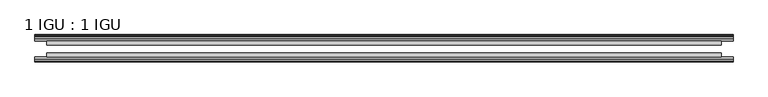
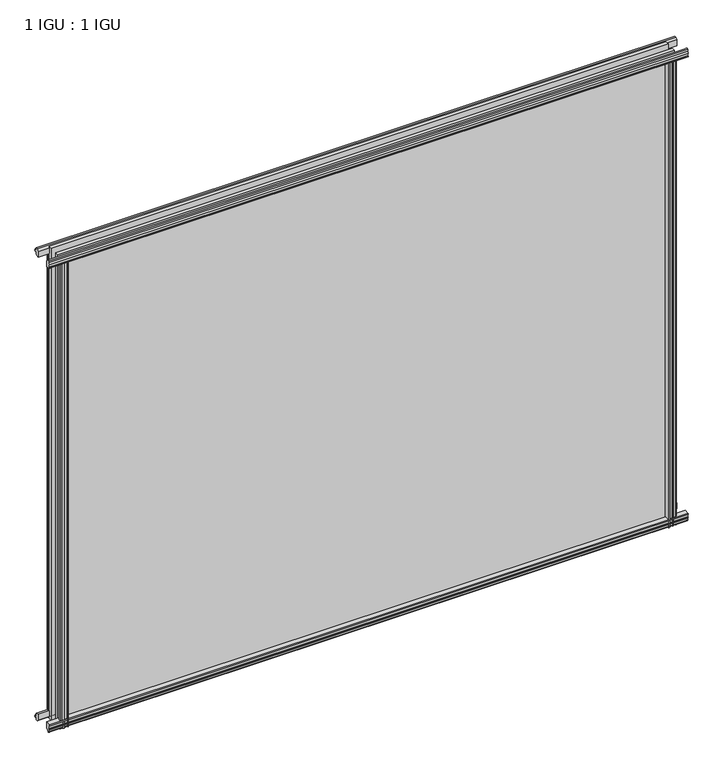
"""IFC4 building model written with IfcOpenShell, lengths in millimetres: plate geometry, 1 IGU : 1 IGU."""

from ifc_helpers import new_model, si_unit, point, frame, frame_2d, origin, place, context, project, spatial, polyline, circle_curve, trimmed, segment, composite_curve, outline, extrude, source, transform, mapped, element, save


def plate_1_igu_1_igu_9c6f4d6b(model_context):
    return source(origin(), model_context, "Body", "SweptSolid", [
        extrude(outline(composite_curve([segment(polyline([(-46.2359545, 846.392137), (-46.2359545, 835.3699197), (-53.3197108, 836.7372291)]), True, "CONTINUOUS"), segment(trimmed(circle_curve(frame_2d((-53.1447545, 837.7380519)), 1.016), [point((-53.3197108, 836.7372291))], [point((-53.8888005, 838.4298983))], False, "CARTESIAN"), True, "CONTINUOUS"), segment(polyline([(-53.8888005, 838.4298983), (-52.5859205, 838.2460519), (-52.5859205, 843.6562519), (-54.0652165, 843.9170917), (-52.5859205, 846.5010519), (-52.5859205, 849.6760519)]), True, "CONTINUOUS"), segment(trimmed(circle_curve(frame_2d((-51.3159205, 849.6760519)), 1.27), [point((-52.5859205, 849.6760519))], [point((-50.4178949, 850.5740775))], False, "CARTESIAN"), True, "CONTINUOUS"), segment(polyline([(-50.4178949, 850.5740775), (-46.2359545, 846.392137)]), True, "CONTINUOUS")], self_intersect=False)), frame((-552.9895183, 0.0, 0.0), z_axis=(1.0, 0.0, 0.0), x_axis=(0.0, 1.0, 0.0)), (0.0, 0.0, 1.0), 1105.9790366),
        extrude(outline(polyline([(-17.4323375, 850.8285625), (-14.4859375, 850.8285625), (-14.4859375, 846.3835625), (-12.1057405, 846.0025625), (-12.5656738, 847.4180916), (-11.7644596, 847.4180916), (-11.0569375, 845.2405625), (-11.7644596, 843.0630334), (-12.5656738, 843.0630334), (-12.1057405, 844.4785625), (-14.4859375, 844.0975625), (-14.4859375, 838.8905625), (-20.8359545, 837.1728398), (-20.8359545, 847.9942062), (-17.4323375, 850.8285625)])), frame((-552.9895183, 0.0, 0.0), z_axis=(1.0, 0.0, 0.0), x_axis=(0.0, 1.0, 0.0)), (0.0, 0.0, 1.0), 1105.9790366),
        extrude(outline(polyline([(-20.8359545, 1.2049602), (-14.4859375, -0.5127625), (-14.4859375, -5.7197625), (-12.1057405, -6.1007625), (-12.5656738, -4.6852334), (-11.7644596, -4.6852334), (-11.0569375, -6.8627625), (-11.7644596, -9.0402916), (-12.5656738, -9.0402916), (-12.1057405, -7.6247625), (-14.4859375, -8.0057625), (-14.4859375, -12.4507625), (-17.4323375, -12.4507625), (-20.8359545, -9.6164062), (-20.8359545, 1.2049602)])), frame((-552.9895183, 0.0, 0.0), z_axis=(1.0, 0.0, 0.0), x_axis=(0.0, 1.0, 0.0)), (0.0, 0.0, 1.0), 1105.9790366),
        extrude(outline(composite_curve([segment(polyline([(-53.3197108, 1.6405709), (-46.2359545, 3.0078803), (-46.2359545, -8.014337), (-50.4178949, -12.1962775)]), True, "CONTINUOUS"), segment(trimmed(circle_curve(frame_2d((-51.3159205, -11.2982519)), 1.27), [point((-50.4178949, -12.1962775))], [point((-52.5859205, -11.2982519))], False, "CARTESIAN"), True, "CONTINUOUS"), segment(polyline([(-52.5859205, -11.2982519), (-52.5859205, -8.1232519), (-54.0652165, -5.5392917), (-52.5859205, -5.2784519), (-52.5859205, 0.1317481), (-53.8888005, -0.0520983)]), True, "CONTINUOUS"), segment(trimmed(circle_curve(frame_2d((-53.1447545, 0.6397481)), 1.016), [point((-53.8888005, -0.0520983))], [point((-53.3197108, 1.6405709))], False, "CARTESIAN"), True, "CONTINUOUS")], self_intersect=False)), frame((-552.9895183, 0.0, 0.0), z_axis=(1.0, 0.0, 0.0), x_axis=(0.0, 1.0, 0.0)), (0.0, 0.0, 1.0), 1105.9790366),
        extrude(outline(polyline([(-528.8889986, -12.1057405), (-530.3045276, -12.5656738), (-530.3045276, -11.7644596), (-528.1269986, -11.0569375), (-525.9494695, -11.7644596), (-525.9494695, -12.5656738), (-527.3649986, -12.1057405), (-526.9839986, -14.4859375), (-521.7769986, -14.4859375), (-520.0592805, -20.8359375), (-530.8806564, -20.8359375), (-533.7149986, -17.4323375), (-533.7149986, -14.4859375), (-529.2699986, -14.4859375), (-528.8889986, -12.1057405)])), frame((0.0, 0.0, -12.6752823), z_axis=(0.0, 0.0, 1.0), x_axis=(1.0, 0.0, 0.0)), (0.0, 0.0, 1.0), 851.0530823),
        extrude(outline(composite_curve([segment(polyline([(-529.2785561, -46.2359375), (-518.2563525, -46.2359375), (-519.6236652, -53.3197108)]), True, "CONTINUOUS"), segment(trimmed(circle_curve(frame_2d((-520.624488, -53.1447545)), 1.016), [point((-519.6236652, -53.3197108))], [point((-521.3163344, -53.8888005))], False, "CARTESIAN"), True, "CONTINUOUS"), segment(polyline([(-521.3163344, -53.8888005), (-521.132488, -52.5859205), (-526.542688, -52.5859205), (-526.8035277, -54.0652165), (-529.387488, -52.5859205), (-532.562488, -52.5859205)]), True, "CONTINUOUS"), segment(trimmed(circle_curve(frame_2d((-532.562488, -51.3159205)), 1.27), [point((-532.562488, -52.5859205))], [point((-533.4605136, -50.4178949))], False, "CARTESIAN"), True, "CONTINUOUS"), segment(polyline([(-533.4605136, -50.4178949), (-529.2785561, -46.2359375)]), True, "CONTINUOUS")], self_intersect=False)), frame((0.0, 0.0, -12.6752823), z_axis=(0.0, 0.0, 1.0), x_axis=(1.0, 0.0, 0.0)), (0.0, 0.0, 1.0), 851.0530823),
        extrude(outline(composite_curve([segment(polyline([(519.6236652, -53.3197108), (518.2563525, -46.2359375), (529.2785561, -46.2359375), (533.4605136, -50.4178949)]), True, "CONTINUOUS"), segment(trimmed(circle_curve(frame_2d((532.562488, -51.3159205)), 1.27), [point((533.4605136, -50.4178949))], [point((532.562488, -52.5859205))], False, "CARTESIAN"), True, "CONTINUOUS"), segment(polyline([(532.562488, -52.5859205), (529.387488, -52.5859205), (526.8035277, -54.0652165), (526.542688, -52.5859205), (521.132488, -52.5859205), (521.3554514, -53.8504091)]), True, "CONTINUOUS"), segment(trimmed(circle_curve(frame_2d((520.624488, -53.1447545)), 1.016), [point((521.3554514, -53.8504091))], [point((519.6236652, -53.3197108))], False, "CARTESIAN"), True, "CONTINUOUS")], self_intersect=False)), frame((0.0, 0.0, -12.6752823), z_axis=(0.0, 0.0, 1.0), x_axis=(1.0, 0.0, 0.0)), (0.0, 0.0, 1.0), 851.0530823),
        extrude(outline(polyline([(525.9494695, -11.7644596), (528.1269986, -11.0569375), (530.3045276, -11.7644596), (530.3045276, -12.5656738), (528.8889986, -12.1057405), (529.2699986, -14.4859375), (533.7149986, -14.4859375), (533.7149986, -17.4323375), (530.8806564, -20.8359375), (520.0592805, -20.8359375), (521.7769986, -14.4859375), (526.9839986, -14.4859375), (527.3649986, -12.1057405), (525.9494695, -12.5656738), (525.9494695, -11.7644596)])), frame((0.0, 0.0, -12.6752823), z_axis=(0.0, 0.0, 1.0), x_axis=(1.0, 0.0, 0.0)), (0.0, 0.0, 1.0), 851.0530823),
        extrude(outline(polyline([(533.9395183, -20.8359375), (533.9395183, -27.1859375), (-533.9395183, -27.1859375), (-533.9395183, -20.8359375), (533.9395183, -20.8359375)])), frame((0.0, 0.0, -12.6752823), z_axis=(0.0, 0.0, 1.0), x_axis=(1.0, 0.0, 0.0)), (0.0, 0.0, 1.0), 863.7283645),
        extrude(outline(polyline([(-533.9395183, -46.2359375), (-533.9395183, -39.8859375), (533.9395183, -39.8859375), (533.9395183, -46.2359375), (-533.9395183, -46.2359375)])), frame((0.0, 0.0, -12.6752823), z_axis=(0.0, 0.0, 1.0), x_axis=(1.0, 0.0, 0.0)), (0.0, 0.0, 1.0), 863.7283645),
    ])


if __name__ == "__main__":
    model = new_model("IFC4")
    model_context = context("Model", 3, world=origin())
    ifc_project = project(units=[si_unit("LENGTHUNIT", "METRE", prefix="MILLI")], contexts=[model_context])
    site = spatial("IfcSite", under=ifc_project)
    building = spatial("IfcBuilding", under=site)
    placement = place(None, origin())
    plate_1_igu_1_igu_shape = plate_1_igu_1_igu_9c6f4d6b(model_context)
    element("IfcPlate", 1, ObjectType="1 IGU : 1 IGU", at=placement, inside=building, context=model_context, shape_type="MappedRepresentation", body=[
        mapped(plate_1_igu_1_igu_shape, transform((0.0, 0.0, 0.0), x_axis=(1.0, 0.0, 0.0), y_axis=(0.0, 1.0, 0.0), z_axis=(0.0, 0.0, 1.0))),
    ])
    save(model, "model.ifc")
